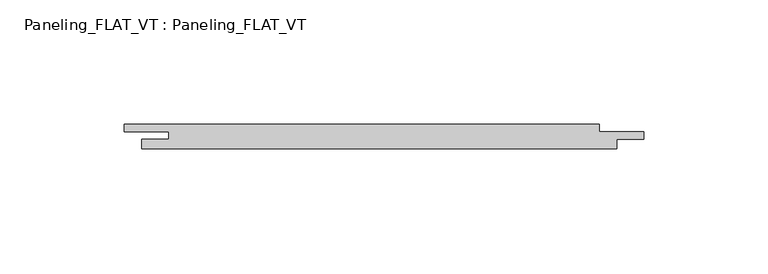
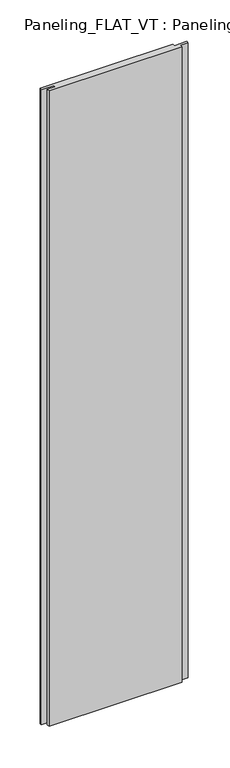
"""IFC4 building model written with IfcOpenShell, lengths in millimetres: plate geometry, Paneling_FLAT_VT : Paneling_FLAT_VT."""

import ifcopenshell
import ifcopenshell.guid

model = None  # the IFC model being written
_history = None  # IfcOwnerHistory: only IFC2X3 demands one
_inside = {}  # id of a spatial element -> (the spatial element, [elements in it])
_under = {}  # id of a project, library or spatial element -> (it, [spatial elements below it])
_declared = {}  # id of a project -> (the project, [libraries it declares])
_typed = {}  # id of a type object -> (the type object, [elements of that type])
_made_of = {}  # id of a material, layer set ... -> (it, [elements and type objects made of it])


def new_model(schema):
    """Start an empty IFC model of exactly this schema.

    Asked for "IFC4X3", IfcOpenShell would pick the latest addendum, in which some entities
    have other attributes; the version numbers below select the first issue.
    IFC2X3 requires an IfcOwnerHistory on every rooted entity: one is made here for all.
    """
    global model, _history
    if schema == "IFC4X3":
        model = ifcopenshell.file(schema_version=(4, 3, 0, 0))
    else:
        model = ifcopenshell.file(schema=schema)
    _inside.clear()
    _under.clear()
    _declared.clear()
    _typed.clear()
    _made_of.clear()
    _history = None
    if model.schema == "IFC2X3":
        org = make("IfcOrganization", Name="unknown")
        user = make(
            "IfcPersonAndOrganization",
            ThePerson=make("IfcPerson", FamilyName="unknown"),
            TheOrganization=org,
        )
        app = make(
            "IfcApplication",
            ApplicationDeveloper=org,
            Version="unknown",
            ApplicationFullName="unknown",
            ApplicationIdentifier="unknown",
        )
        _history = make(
            "IfcOwnerHistory",
            OwningUser=user,
            OwningApplication=app,
            ChangeAction="ADDED",
            CreationDate=0,
        )
    return model


def make(cls, **values):
    """One entity of the class cls with the attributes given. An attribute that is None is left unset."""
    return model.create_entity(
        cls, **{name: value for name, value in values.items() if value is not None}
    )


def rooted(cls, **values):
    """An entity with a GlobalId (a new one), such as an element, a storey or a relation."""
    return make(cls, GlobalId=ifcopenshell.guid.new(), OwnerHistory=_history, **values)


def si_unit(unit_type, name, prefix=None):
    """IfcSIUnit, for example si_unit("LENGTHUNIT", "METRE", prefix="MILLI")."""
    return make("IfcSIUnit", UnitType=unit_type, Prefix=prefix, Name=name)


def assignment(units):
    """IfcUnitAssignment: the units of a project."""
    return None if units is None else make("IfcUnitAssignment", Units=units)


def point(xyz):
    """IfcCartesianPoint."""
    return None if xyz is None else make("IfcCartesianPoint", Coordinates=xyz)


def direction(xyz):
    """IfcDirection."""
    return None if xyz is None else make("IfcDirection", DirectionRatios=xyz)


def frame(location, z_axis=None, x_axis=None):
    """IfcAxis2Placement3D, a coordinate frame: its origin and axes. An axis left out is left unset."""
    return make(
        "IfcAxis2Placement3D",
        Location=point(location),
        Axis=direction(z_axis),
        RefDirection=direction(x_axis),
    )


def origin():
    """The frame at (0, 0, 0) with its axes left unset."""
    return frame((0.0, 0.0, 0.0))


def origin_with_axes():
    """The frame at (0, 0, 0) with the z axis (0, 0, 1) and the x axis (1, 0, 0) written out."""
    return frame((0.0, 0.0, 0.0), z_axis=(0.0, 0.0, 1.0), x_axis=(1.0, 0.0, 0.0))


def place(relative_to, where):
    """IfcLocalPlacement: puts the frame where relative to a parent placement (None: the world)."""
    return make(
        "IfcLocalPlacement", PlacementRelTo=relative_to, RelativePlacement=where
    )


def context(
    kind, dimensions, precision=None, world=None, true_north=None, identifier=None
):
    """IfcGeometricRepresentationContext, for example the 3D "Model" context."""
    return make(
        "IfcGeometricRepresentationContext",
        ContextIdentifier=identifier,
        ContextType=kind,
        CoordinateSpaceDimension=dimensions,
        Precision=precision,
        WorldCoordinateSystem=world,
        TrueNorth=true_north,
    )


def project(units=None, contexts=None):
    """IfcProject with its units and contexts."""
    return rooted(
        "IfcProject",
        Name="project",
        RepresentationContexts=contexts,
        UnitsInContext=assignment(units),
    )


def spatial(cls, under=None, at=None, **own):
    """A site, building, storey or space (cls), placed at a placement, below another one or the project."""
    s = rooted(cls, ObjectPlacement=at, **own)
    if under is not None:
        _under.setdefault(under.id(), (under, []))[1].append(s)
    return s


def polyline(points):
    """IfcPolyline through the points."""
    return make("IfcPolyline", Points=[point(p) for p in points])


def outline(outer, holes=None, kind="AREA"):
    """IfcArbitraryClosedProfileDef: a profile drawn as a closed curve; with holes, ...WithVoids."""
    if holes is None:
        return make("IfcArbitraryClosedProfileDef", ProfileType=kind, OuterCurve=outer)
    return make(
        "IfcArbitraryProfileDefWithVoids",
        ProfileType=kind,
        OuterCurve=outer,
        InnerCurves=holes,
    )


def extrude(swept, where, along, depth):
    """IfcExtrudedAreaSolid: the profile swept, set in the frame where, extruded along a direction by depth."""
    return make(
        "IfcExtrudedAreaSolid",
        SweptArea=swept,
        Position=where,
        ExtrudedDirection=direction(along),
        Depth=depth,
    )


def shape(context_of_items, identifier, shape_type, items):
    """IfcShapeRepresentation: the items that make up one representation, for example the "Body"."""
    return make(
        "IfcShapeRepresentation",
        ContextOfItems=context_of_items,
        RepresentationIdentifier=identifier,
        RepresentationType=shape_type,
        Items=items,
    )


def source(mapping_origin, context_of_items, identifier, shape_type, items):
    """IfcRepresentationMap: a shape defined once, which mapped items show again and again."""
    return make(
        "IfcRepresentationMap",
        MappingOrigin=mapping_origin,
        MappedRepresentation=shape(context_of_items, identifier, shape_type, items),
    )


def transform(
    local_origin,
    x_axis=None,
    y_axis=None,
    z_axis=None,
    scale=None,
    scale2=None,
    scale3=None,
    uniform=True,
):
    """IfcCartesianTransformationOperator3D, or its non-uniform kind. x_axis, y_axis, z_axis: its Axis1, 2, 3."""
    if uniform:
        return make(
            "IfcCartesianTransformationOperator3D",
            Axis1=direction(x_axis),
            Axis2=direction(y_axis),
            LocalOrigin=point(local_origin),
            Scale=scale,
            Axis3=direction(z_axis),
        )
    return make(
        "IfcCartesianTransformationOperator3DnonUniform",
        Axis1=direction(x_axis),
        Axis2=direction(y_axis),
        LocalOrigin=point(local_origin),
        Scale=scale,
        Axis3=direction(z_axis),
        Scale2=scale2,
        Scale3=scale3,
    )


def mapped(mapping_source, mapping_target):
    """IfcMappedItem: shows the shape of a source again, moved by a transform."""
    return make(
        "IfcMappedItem", MappingSource=mapping_source, MappingTarget=mapping_target
    )


def made_of(thing, what):
    """Note that an element or type object is made of a material, layer set ...; save() writes the relation."""
    if what is not None:
        _made_of.setdefault(what.id(), (what, []))[1].append(thing)
    return thing


def element(
    cls,
    number,
    at=None,
    inside=None,
    cuts=None,
    type_object=None,
    material=None,
    context=None,
    identifier="Body",
    shape_type=None,
    held_by="IfcProductDefinitionShape",
    body=None,
    shapes=None,
    **own,
):
    """One element of the class cls, such as IfcWall. Its Tag is "e" and its number.

    at: its placement. inside: the storey or other place that contains it. cuts: it is an
    opening in that element (IfcRelVoidsElement). A single representation is given by context,
    identifier, shape_type and body (its items); several are given by shapes. held_by: the class
    of the entity that holds the representations. save() writes the other relations.
    """
    e = rooted(cls, Tag="e%d" % number, ObjectPlacement=at, **own)
    if body is not None:
        shapes = [shape(context, identifier, shape_type, body)]
    if shapes is not None:
        e.Representation = make(held_by, Representations=shapes)
    if inside is not None:
        _inside.setdefault(inside.id(), (inside, []))[1].append(e)
    if cuts is not None:
        rooted(
            "IfcRelVoidsElement", RelatingBuildingElement=cuts, RelatedOpeningElement=e
        )
    if type_object is not None:
        _typed.setdefault(type_object.id(), (type_object, []))[1].append(e)
    return made_of(e, material)


def aggregate(whole, parts):
    """IfcRelAggregates: a whole, such as a stair, and the parts it consists of."""
    return rooted("IfcRelAggregates", RelatingObject=whole, RelatedObjects=parts)


def save(model, path):
    """Write the relations noted so far, then the file.

    IfcRelAggregates (storeys below a building ...), IfcRelContainedInSpatialStructure (elements
    in a storey), IfcRelDefinesByType, IfcRelAssociatesMaterial and IfcRelDeclares: one each for
    every whole, place, type object, material and project.
    """
    for whole, parts in _under.values():
        aggregate(whole, parts)
    for where, things in _inside.values():
        rooted(
            "IfcRelContainedInSpatialStructure",
            RelatedElements=things,
            RelatingStructure=where,
        )
    for kind, things in _typed.values():
        rooted("IfcRelDefinesByType", RelatedObjects=things, RelatingType=kind)
    for what, things in _made_of.values():
        rooted("IfcRelAssociatesMaterial", RelatedObjects=things, RelatingMaterial=what)
    for by, libraries in _declared.values():
        rooted("IfcRelDeclares", RelatingContext=by, RelatedDefinitions=libraries)
    model.write(path)


def paneling_flat_vt_paneling_flat_vt_ef3a2032(model_context):
    return source(origin(), model_context, "Body", "SweptSolid", [
        extrude(outline(polyline([(88.65, 5.0), (88.65, 2.0), (106.65, 2.0), (106.65, -1.0), (95.65, -1.0), (95.65, -5.0), (-95.65, -5.0), (-95.65, -1.0), (-84.65, -1.0), (-84.65, 2.0), (-102.65, 2.0), (-102.65, 5.0), (88.65, 5.0)])), origin_with_axes(), (0.0, 0.0, 1.0), 964.5),
    ])


if __name__ == "__main__":
    model = new_model("IFC4")
    model_context = context("Model", 3, world=origin())
    ifc_project = project(units=[si_unit("LENGTHUNIT", "METRE", prefix="MILLI")], contexts=[model_context])
    site = spatial("IfcSite", under=ifc_project)
    building = spatial("IfcBuilding", under=site)
    placement = place(None, origin())
    paneling_flat_vt_paneling_flat_vt_shape = paneling_flat_vt_paneling_flat_vt_ef3a2032(model_context)
    element("IfcPlate", 1, ObjectType="Paneling_FLAT_VT : Paneling_FLAT_VT", at=placement, inside=building, context=model_context, shape_type="MappedRepresentation", body=[
        mapped(paneling_flat_vt_paneling_flat_vt_shape, transform((0.0, 0.0, 0.0), x_axis=(1.0, 0.0, 0.0), y_axis=(0.0, 1.0, 0.0), z_axis=(0.0, 0.0, 1.0))),
    ])
    save(model, "model.ifc")
